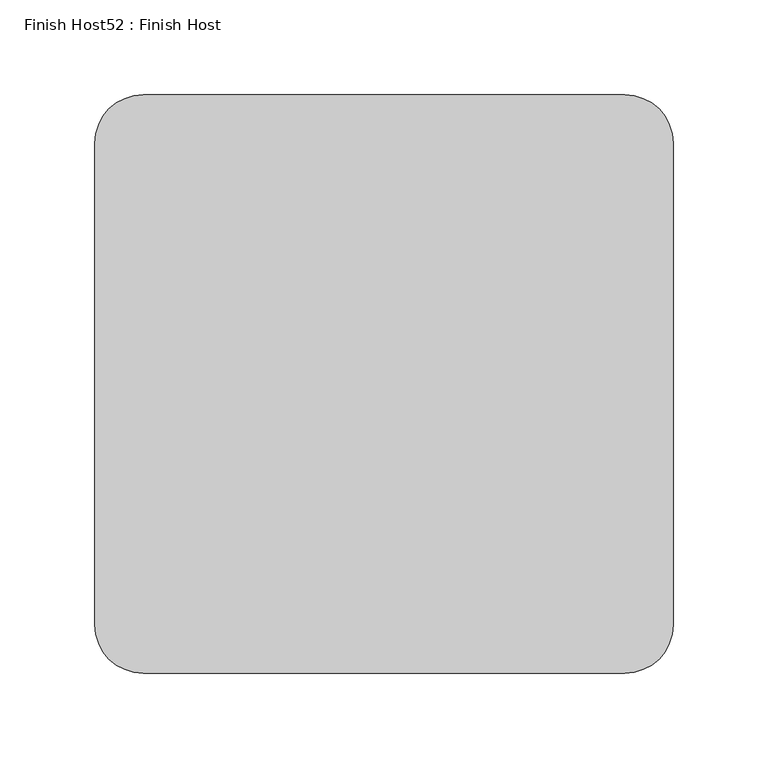
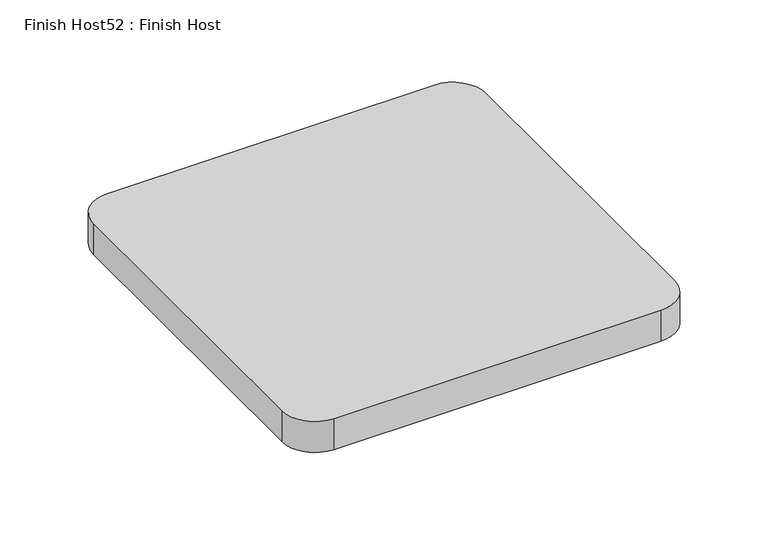
"""IFC4 building model written with IfcOpenShell, lengths in millimetres: proxy geometry, Finish Host52 : Finish Host."""

import ifcopenshell
import ifcopenshell.guid

model = None  # the IFC model being written
_history = None  # IfcOwnerHistory: only IFC2X3 demands one
_inside = {}  # id of a spatial element -> (the spatial element, [elements in it])
_under = {}  # id of a project, library or spatial element -> (it, [spatial elements below it])
_declared = {}  # id of a project -> (the project, [libraries it declares])
_typed = {}  # id of a type object -> (the type object, [elements of that type])
_made_of = {}  # id of a material, layer set ... -> (it, [elements and type objects made of it])


def new_model(schema):
    """Start an empty IFC model of exactly this schema.

    Asked for "IFC4X3", IfcOpenShell would pick the latest addendum, in which some entities
    have other attributes; the version numbers below select the first issue.
    IFC2X3 requires an IfcOwnerHistory on every rooted entity: one is made here for all.
    """
    global model, _history
    if schema == "IFC4X3":
        model = ifcopenshell.file(schema_version=(4, 3, 0, 0))
    else:
        model = ifcopenshell.file(schema=schema)
    _inside.clear()
    _under.clear()
    _declared.clear()
    _typed.clear()
    _made_of.clear()
    _history = None
    if model.schema == "IFC2X3":
        org = make("IfcOrganization", Name="unknown")
        user = make(
            "IfcPersonAndOrganization",
            ThePerson=make("IfcPerson", FamilyName="unknown"),
            TheOrganization=org,
        )
        app = make(
            "IfcApplication",
            ApplicationDeveloper=org,
            Version="unknown",
            ApplicationFullName="unknown",
            ApplicationIdentifier="unknown",
        )
        _history = make(
            "IfcOwnerHistory",
            OwningUser=user,
            OwningApplication=app,
            ChangeAction="ADDED",
            CreationDate=0,
        )
    return model


def make(cls, **values):
    """One entity of the class cls with the attributes given. An attribute that is None is left unset."""
    return model.create_entity(
        cls, **{name: value for name, value in values.items() if value is not None}
    )


def rooted(cls, **values):
    """An entity with a GlobalId (a new one), such as an element, a storey or a relation."""
    return make(cls, GlobalId=ifcopenshell.guid.new(), OwnerHistory=_history, **values)


def si_unit(unit_type, name, prefix=None):
    """IfcSIUnit, for example si_unit("LENGTHUNIT", "METRE", prefix="MILLI")."""
    return make("IfcSIUnit", UnitType=unit_type, Prefix=prefix, Name=name)


def assignment(units):
    """IfcUnitAssignment: the units of a project."""
    return None if units is None else make("IfcUnitAssignment", Units=units)


def point(xyz):
    """IfcCartesianPoint."""
    return None if xyz is None else make("IfcCartesianPoint", Coordinates=xyz)


def direction(xyz):
    """IfcDirection."""
    return None if xyz is None else make("IfcDirection", DirectionRatios=xyz)


def frame(location, z_axis=None, x_axis=None):
    """IfcAxis2Placement3D, a coordinate frame: its origin and axes. An axis left out is left unset."""
    return make(
        "IfcAxis2Placement3D",
        Location=point(location),
        Axis=direction(z_axis),
        RefDirection=direction(x_axis),
    )


def frame_2d(location, x_axis=None):
    """IfcAxis2Placement2D, a coordinate frame in the plane: its origin and x axis."""
    return make(
        "IfcAxis2Placement2D", Location=point(location), RefDirection=direction(x_axis)
    )


def origin():
    """The frame at (0, 0, 0) with its axes left unset."""
    return frame((0.0, 0.0, 0.0))


def origin_with_axes():
    """The frame at (0, 0, 0) with the z axis (0, 0, 1) and the x axis (1, 0, 0) written out."""
    return frame((0.0, 0.0, 0.0), z_axis=(0.0, 0.0, 1.0), x_axis=(1.0, 0.0, 0.0))


def place(relative_to, where):
    """IfcLocalPlacement: puts the frame where relative to a parent placement (None: the world)."""
    return make(
        "IfcLocalPlacement", PlacementRelTo=relative_to, RelativePlacement=where
    )


def context(
    kind, dimensions, precision=None, world=None, true_north=None, identifier=None
):
    """IfcGeometricRepresentationContext, for example the 3D "Model" context."""
    return make(
        "IfcGeometricRepresentationContext",
        ContextIdentifier=identifier,
        ContextType=kind,
        CoordinateSpaceDimension=dimensions,
        Precision=precision,
        WorldCoordinateSystem=world,
        TrueNorth=true_north,
    )


def project(units=None, contexts=None):
    """IfcProject with its units and contexts."""
    return rooted(
        "IfcProject",
        Name="project",
        RepresentationContexts=contexts,
        UnitsInContext=assignment(units),
    )


def spatial(cls, under=None, at=None, **own):
    """A site, building, storey or space (cls), placed at a placement, below another one or the project."""
    s = rooted(cls, ObjectPlacement=at, **own)
    if under is not None:
        _under.setdefault(under.id(), (under, []))[1].append(s)
    return s


def polyline(points):
    """IfcPolyline through the points."""
    return make("IfcPolyline", Points=[point(p) for p in points])


def circle_curve(where, radius):
    """IfcCircle in the frame where."""
    return make("IfcCircle", Position=where, Radius=radius)


def trimmed(basis, trim1, trim2, sense, master):
    """IfcTrimmedCurve: the piece of a basis curve between two trims."""
    return make(
        "IfcTrimmedCurve",
        BasisCurve=basis,
        Trim1=trim1,
        Trim2=trim2,
        SenseAgreement=sense,
        MasterRepresentation=master,
    )


def segment(curve, same_sense, transition):
    """IfcCompositeCurveSegment."""
    return make(
        "IfcCompositeCurveSegment",
        Transition=transition,
        SameSense=same_sense,
        ParentCurve=curve,
    )


def composite_curve(segments, self_intersect=None):
    """IfcCompositeCurve: segments joined end to end."""
    return make("IfcCompositeCurve", Segments=segments, SelfIntersect=self_intersect)


def outline(outer, holes=None, kind="AREA"):
    """IfcArbitraryClosedProfileDef: a profile drawn as a closed curve; with holes, ...WithVoids."""
    if holes is None:
        return make("IfcArbitraryClosedProfileDef", ProfileType=kind, OuterCurve=outer)
    return make(
        "IfcArbitraryProfileDefWithVoids",
        ProfileType=kind,
        OuterCurve=outer,
        InnerCurves=holes,
    )


def extrude(swept, where, along, depth):
    """IfcExtrudedAreaSolid: the profile swept, set in the frame where, extruded along a direction by depth."""
    return make(
        "IfcExtrudedAreaSolid",
        SweptArea=swept,
        Position=where,
        ExtrudedDirection=direction(along),
        Depth=depth,
    )


def shape(context_of_items, identifier, shape_type, items):
    """IfcShapeRepresentation: the items that make up one representation, for example the "Body"."""
    return make(
        "IfcShapeRepresentation",
        ContextOfItems=context_of_items,
        RepresentationIdentifier=identifier,
        RepresentationType=shape_type,
        Items=items,
    )


def source(mapping_origin, context_of_items, identifier, shape_type, items):
    """IfcRepresentationMap: a shape defined once, which mapped items show again and again."""
    return make(
        "IfcRepresentationMap",
        MappingOrigin=mapping_origin,
        MappedRepresentation=shape(context_of_items, identifier, shape_type, items),
    )


def transform(
    local_origin,
    x_axis=None,
    y_axis=None,
    z_axis=None,
    scale=None,
    scale2=None,
    scale3=None,
    uniform=True,
):
    """IfcCartesianTransformationOperator3D, or its non-uniform kind. x_axis, y_axis, z_axis: its Axis1, 2, 3."""
    if uniform:
        return make(
            "IfcCartesianTransformationOperator3D",
            Axis1=direction(x_axis),
            Axis2=direction(y_axis),
            LocalOrigin=point(local_origin),
            Scale=scale,
            Axis3=direction(z_axis),
        )
    return make(
        "IfcCartesianTransformationOperator3DnonUniform",
        Axis1=direction(x_axis),
        Axis2=direction(y_axis),
        LocalOrigin=point(local_origin),
        Scale=scale,
        Axis3=direction(z_axis),
        Scale2=scale2,
        Scale3=scale3,
    )


def mapped(mapping_source, mapping_target):
    """IfcMappedItem: shows the shape of a source again, moved by a transform."""
    return make(
        "IfcMappedItem", MappingSource=mapping_source, MappingTarget=mapping_target
    )


def made_of(thing, what):
    """Note that an element or type object is made of a material, layer set ...; save() writes the relation."""
    if what is not None:
        _made_of.setdefault(what.id(), (what, []))[1].append(thing)
    return thing


def element(
    cls,
    number,
    at=None,
    inside=None,
    cuts=None,
    type_object=None,
    material=None,
    context=None,
    identifier="Body",
    shape_type=None,
    held_by="IfcProductDefinitionShape",
    body=None,
    shapes=None,
    **own,
):
    """One element of the class cls, such as IfcWall. Its Tag is "e" and its number.

    at: its placement. inside: the storey or other place that contains it. cuts: it is an
    opening in that element (IfcRelVoidsElement). A single representation is given by context,
    identifier, shape_type and body (its items); several are given by shapes. held_by: the class
    of the entity that holds the representations. save() writes the other relations.
    """
    e = rooted(cls, Tag="e%d" % number, ObjectPlacement=at, **own)
    if body is not None:
        shapes = [shape(context, identifier, shape_type, body)]
    if shapes is not None:
        e.Representation = make(held_by, Representations=shapes)
    if inside is not None:
        _inside.setdefault(inside.id(), (inside, []))[1].append(e)
    if cuts is not None:
        rooted(
            "IfcRelVoidsElement", RelatingBuildingElement=cuts, RelatedOpeningElement=e
        )
    if type_object is not None:
        _typed.setdefault(type_object.id(), (type_object, []))[1].append(e)
    return made_of(e, material)


def aggregate(whole, parts):
    """IfcRelAggregates: a whole, such as a stair, and the parts it consists of."""
    return rooted("IfcRelAggregates", RelatingObject=whole, RelatedObjects=parts)


def save(model, path):
    """Write the relations noted so far, then the file.

    IfcRelAggregates (storeys below a building ...), IfcRelContainedInSpatialStructure (elements
    in a storey), IfcRelDefinesByType, IfcRelAssociatesMaterial and IfcRelDeclares: one each for
    every whole, place, type object, material and project.
    """
    for whole, parts in _under.values():
        aggregate(whole, parts)
    for where, things in _inside.values():
        rooted(
            "IfcRelContainedInSpatialStructure",
            RelatedElements=things,
            RelatingStructure=where,
        )
    for kind, things in _typed.values():
        rooted("IfcRelDefinesByType", RelatedObjects=things, RelatingType=kind)
    for what, things in _made_of.values():
        rooted("IfcRelAssociatesMaterial", RelatedObjects=things, RelatingMaterial=what)
    for by, libraries in _declared.values():
        rooted("IfcRelDeclares", RelatingContext=by, RelatedDefinitions=libraries)
    model.write(path)


def finish_host52_finish_host_f7eaa4a8(model_context):
    return source(origin(), model_context, "Body", "SweptSolid", [
        extrude(outline(composite_curve([segment(polyline([(8404.3478493, 1206.8122951), (8404.3478493, 1460.8122951)]), True, "CONTINUOUS"), segment(trimmed(circle_curve(frame_2d((8429.7478493, 1460.8122951)), 25.4), [point((8404.3478493, 1460.8122951))], [point((8429.7478493, 1486.2122951))], False, "CARTESIAN"), True, "CONTINUOUS"), segment(polyline([(8429.7478493, 1486.2122951), (8683.7478493, 1486.2122951)]), True, "CONTINUOUS"), segment(trimmed(circle_curve(frame_2d((8683.7478493, 1460.8122951)), 25.4), [point((8683.7478493, 1486.2122951))], [point((8709.1478493, 1460.8122951))], False, "CARTESIAN"), True, "CONTINUOUS"), segment(polyline([(8709.1478493, 1460.8122951), (8709.1478493, 1206.8122951)]), True, "CONTINUOUS"), segment(trimmed(circle_curve(frame_2d((8683.7478493, 1206.8122951)), 25.4), [point((8709.1478493, 1206.8122951))], [point((8683.7478493, 1181.4122951))], False, "CARTESIAN"), True, "CONTINUOUS"), segment(polyline([(8683.7478493, 1181.4122951), (8429.7478493, 1181.4122951)]), True, "CONTINUOUS"), segment(trimmed(circle_curve(frame_2d((8429.7478493, 1206.8122951)), 25.4), [point((8429.7478493, 1181.4122951))], [point((8404.3478493, 1206.8122951))], False, "CARTESIAN"), True, "CONTINUOUS")], self_intersect=False)), origin_with_axes(), (0.0, 0.0, 1.0), 25.4),
    ])


if __name__ == "__main__":
    model = new_model("IFC4")
    model_context = context("Model", 3, world=origin())
    ifc_project = project(units=[si_unit("LENGTHUNIT", "METRE", prefix="MILLI")], contexts=[model_context])
    site = spatial("IfcSite", under=ifc_project)
    building = spatial("IfcBuilding", under=site)
    placement = place(None, origin())
    finish_host52_finish_host_shape = finish_host52_finish_host_f7eaa4a8(model_context)
    element("IfcBuildingElementProxy", 1, Name="Finish Host52 : Finish Host", ObjectType="Finish Host52 : Finish Host", at=placement, inside=building, context=model_context, shape_type="MappedRepresentation", body=[
        mapped(finish_host52_finish_host_shape, transform((0.0, 0.0, 0.0), x_axis=(1.0, 0.0, 0.0), y_axis=(0.0, 1.0, 0.0), z_axis=(0.0, 0.0, 1.0))),
    ])
    save(model, "model.ifc")
